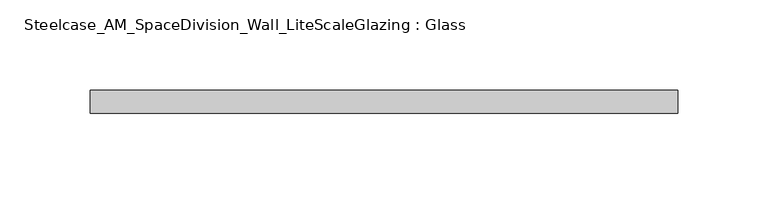
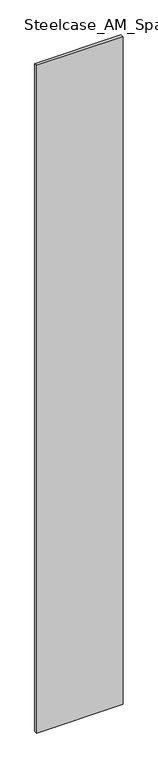
"""IFC4 building model written with IfcOpenShell, lengths in millimetres: plate geometry, Steelcase_AM_SpaceDivision_Wall_LiteScaleGlazing : Glass."""

from ifc_helpers import new_model, si_unit, origin, origin_with_axes, place, context, project, spatial, polyline, outline, extrude, source, transform, mapped, element, save


def steelcase_am_spacedivision_wall_litescaleglazing_glass_b336ea4f(model_context):
    return source(origin(), model_context, "Body", "SweptSolid", [
        extrude(outline(polyline([(-163.068, -6.349956), (-163.068, 6.3502015), (163.068, 6.3502015), (163.068, -6.349956), (-163.068, -6.349956)])), origin_with_axes(), (0.0, 0.0, 1.0), 2665.984),
    ])


if __name__ == "__main__":
    model = new_model("IFC4")
    model_context = context("Model", 3, world=origin())
    ifc_project = project(units=[si_unit("LENGTHUNIT", "METRE", prefix="MILLI")], contexts=[model_context])
    site = spatial("IfcSite", under=ifc_project)
    building = spatial("IfcBuilding", under=site)
    placement = place(None, origin())
    steelcase_am_spacedivision_wall_litescaleglazing_glass_shape = steelcase_am_spacedivision_wall_litescaleglazing_glass_b336ea4f(model_context)
    element("IfcPlate", 1, ObjectType="Steelcase_AM_SpaceDivision_Wall_LiteScaleGlazing : Glass", at=placement, inside=building, context=model_context, shape_type="MappedRepresentation", body=[
        mapped(steelcase_am_spacedivision_wall_litescaleglazing_glass_shape, transform((0.0, 0.0, 0.0), x_axis=(1.0, 0.0, 0.0), y_axis=(0.0, 1.0, 0.0), z_axis=(0.0, 0.0, 1.0))),
    ])
    save(model, "model.ifc")
